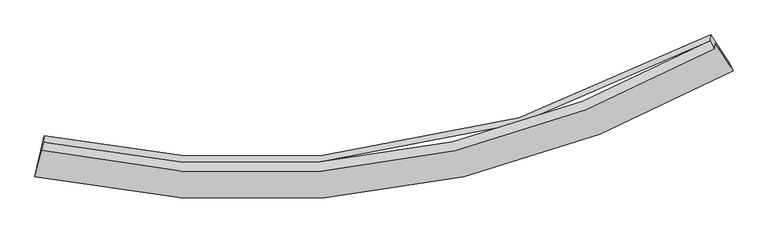
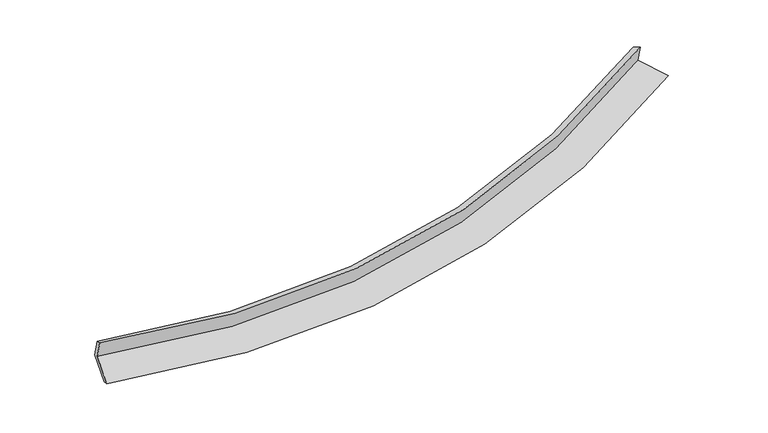
"""IFC4 building model written with IfcOpenShell, lengths in millimetres: proxy geometry."""

import ifcopenshell
import ifcopenshell.guid

model = None  # the IFC model being written
_history = None  # IfcOwnerHistory: only IFC2X3 demands one
_inside = {}  # id of a spatial element -> (the spatial element, [elements in it])
_under = {}  # id of a project, library or spatial element -> (it, [spatial elements below it])
_declared = {}  # id of a project -> (the project, [libraries it declares])
_typed = {}  # id of a type object -> (the type object, [elements of that type])
_made_of = {}  # id of a material, layer set ... -> (it, [elements and type objects made of it])


def new_model(schema):
    """Start an empty IFC model of exactly this schema.

    Asked for "IFC4X3", IfcOpenShell would pick the latest addendum, in which some entities
    have other attributes; the version numbers below select the first issue.
    IFC2X3 requires an IfcOwnerHistory on every rooted entity: one is made here for all.
    """
    global model, _history
    if schema == "IFC4X3":
        model = ifcopenshell.file(schema_version=(4, 3, 0, 0))
    else:
        model = ifcopenshell.file(schema=schema)
    _inside.clear()
    _under.clear()
    _declared.clear()
    _typed.clear()
    _made_of.clear()
    _history = None
    if model.schema == "IFC2X3":
        org = make("IfcOrganization", Name="unknown")
        user = make(
            "IfcPersonAndOrganization",
            ThePerson=make("IfcPerson", FamilyName="unknown"),
            TheOrganization=org,
        )
        app = make(
            "IfcApplication",
            ApplicationDeveloper=org,
            Version="unknown",
            ApplicationFullName="unknown",
            ApplicationIdentifier="unknown",
        )
        _history = make(
            "IfcOwnerHistory",
            OwningUser=user,
            OwningApplication=app,
            ChangeAction="ADDED",
            CreationDate=0,
        )
    return model


def make(cls, **values):
    """One entity of the class cls with the attributes given. An attribute that is None is left unset."""
    return model.create_entity(
        cls, **{name: value for name, value in values.items() if value is not None}
    )


def rooted(cls, **values):
    """An entity with a GlobalId (a new one), such as an element, a storey or a relation."""
    return make(cls, GlobalId=ifcopenshell.guid.new(), OwnerHistory=_history, **values)


def si_unit(unit_type, name, prefix=None):
    """IfcSIUnit, for example si_unit("LENGTHUNIT", "METRE", prefix="MILLI")."""
    return make("IfcSIUnit", UnitType=unit_type, Prefix=prefix, Name=name)


def assignment(units):
    """IfcUnitAssignment: the units of a project."""
    return None if units is None else make("IfcUnitAssignment", Units=units)


def point(xyz):
    """IfcCartesianPoint."""
    return None if xyz is None else make("IfcCartesianPoint", Coordinates=xyz)


def direction(xyz):
    """IfcDirection."""
    return None if xyz is None else make("IfcDirection", DirectionRatios=xyz)


def frame(location, z_axis=None, x_axis=None):
    """IfcAxis2Placement3D, a coordinate frame: its origin and axes. An axis left out is left unset."""
    return make(
        "IfcAxis2Placement3D",
        Location=point(location),
        Axis=direction(z_axis),
        RefDirection=direction(x_axis),
    )


def origin():
    """The frame at (0, 0, 0) with its axes left unset."""
    return frame((0.0, 0.0, 0.0))


def place(relative_to, where):
    """IfcLocalPlacement: puts the frame where relative to a parent placement (None: the world)."""
    return make(
        "IfcLocalPlacement", PlacementRelTo=relative_to, RelativePlacement=where
    )


def context(
    kind, dimensions, precision=None, world=None, true_north=None, identifier=None
):
    """IfcGeometricRepresentationContext, for example the 3D "Model" context."""
    return make(
        "IfcGeometricRepresentationContext",
        ContextIdentifier=identifier,
        ContextType=kind,
        CoordinateSpaceDimension=dimensions,
        Precision=precision,
        WorldCoordinateSystem=world,
        TrueNorth=true_north,
    )


def project(units=None, contexts=None):
    """IfcProject with its units and contexts."""
    return rooted(
        "IfcProject",
        Name="project",
        RepresentationContexts=contexts,
        UnitsInContext=assignment(units),
    )


def spatial(cls, under=None, at=None, **own):
    """A site, building, storey or space (cls), placed at a placement, below another one or the project."""
    s = rooted(cls, ObjectPlacement=at, **own)
    if under is not None:
        _under.setdefault(under.id(), (under, []))[1].append(s)
    return s


def shape(context_of_items, identifier, shape_type, items):
    """IfcShapeRepresentation: the items that make up one representation, for example the "Body"."""
    return make(
        "IfcShapeRepresentation",
        ContextOfItems=context_of_items,
        RepresentationIdentifier=identifier,
        RepresentationType=shape_type,
        Items=items,
    )


def source(mapping_origin, context_of_items, identifier, shape_type, items):
    """IfcRepresentationMap: a shape defined once, which mapped items show again and again."""
    return make(
        "IfcRepresentationMap",
        MappingOrigin=mapping_origin,
        MappedRepresentation=shape(context_of_items, identifier, shape_type, items),
    )


def transform(
    local_origin,
    x_axis=None,
    y_axis=None,
    z_axis=None,
    scale=None,
    scale2=None,
    scale3=None,
    uniform=True,
):
    """IfcCartesianTransformationOperator3D, or its non-uniform kind. x_axis, y_axis, z_axis: its Axis1, 2, 3."""
    if uniform:
        return make(
            "IfcCartesianTransformationOperator3D",
            Axis1=direction(x_axis),
            Axis2=direction(y_axis),
            LocalOrigin=point(local_origin),
            Scale=scale,
            Axis3=direction(z_axis),
        )
    return make(
        "IfcCartesianTransformationOperator3DnonUniform",
        Axis1=direction(x_axis),
        Axis2=direction(y_axis),
        LocalOrigin=point(local_origin),
        Scale=scale,
        Axis3=direction(z_axis),
        Scale2=scale2,
        Scale3=scale3,
    )


def mapped(mapping_source, mapping_target):
    """IfcMappedItem: shows the shape of a source again, moved by a transform."""
    return make(
        "IfcMappedItem", MappingSource=mapping_source, MappingTarget=mapping_target
    )


def made_of(thing, what):
    """Note that an element or type object is made of a material, layer set ...; save() writes the relation."""
    if what is not None:
        _made_of.setdefault(what.id(), (what, []))[1].append(thing)
    return thing


def element(
    cls,
    number,
    at=None,
    inside=None,
    cuts=None,
    type_object=None,
    material=None,
    context=None,
    identifier="Body",
    shape_type=None,
    held_by="IfcProductDefinitionShape",
    body=None,
    shapes=None,
    **own,
):
    """One element of the class cls, such as IfcWall. Its Tag is "e" and its number.

    at: its placement. inside: the storey or other place that contains it. cuts: it is an
    opening in that element (IfcRelVoidsElement). A single representation is given by context,
    identifier, shape_type and body (its items); several are given by shapes. held_by: the class
    of the entity that holds the representations. save() writes the other relations.
    """
    e = rooted(cls, Tag="e%d" % number, ObjectPlacement=at, **own)
    if body is not None:
        shapes = [shape(context, identifier, shape_type, body)]
    if shapes is not None:
        e.Representation = make(held_by, Representations=shapes)
    if inside is not None:
        _inside.setdefault(inside.id(), (inside, []))[1].append(e)
    if cuts is not None:
        rooted(
            "IfcRelVoidsElement", RelatingBuildingElement=cuts, RelatedOpeningElement=e
        )
    if type_object is not None:
        _typed.setdefault(type_object.id(), (type_object, []))[1].append(e)
    return made_of(e, material)


def aggregate(whole, parts):
    """IfcRelAggregates: a whole, such as a stair, and the parts it consists of."""
    return rooted("IfcRelAggregates", RelatingObject=whole, RelatedObjects=parts)


def save(model, path):
    """Write the relations noted so far, then the file.

    IfcRelAggregates (storeys below a building ...), IfcRelContainedInSpatialStructure (elements
    in a storey), IfcRelDefinesByType, IfcRelAssociatesMaterial and IfcRelDeclares: one each for
    every whole, place, type object, material and project.
    """
    for whole, parts in _under.values():
        aggregate(whole, parts)
    for where, things in _inside.values():
        rooted(
            "IfcRelContainedInSpatialStructure",
            RelatedElements=things,
            RelatingStructure=where,
        )
    for kind, things in _typed.values():
        rooted("IfcRelDefinesByType", RelatedObjects=things, RelatingType=kind)
    for what, things in _made_of.values():
        rooted("IfcRelAssociatesMaterial", RelatedObjects=things, RelatingMaterial=what)
    for by, libraries in _declared.values():
        rooted("IfcRelDeclares", RelatingContext=by, RelatedDefinitions=libraries)
    model.write(path)


def plane_surface(at):
    """IfcPlane: the flat surface through the origin of the frame at, square to its z axis."""
    return make("IfcPlane", Position=at)


def spline_curve(degree, points, multiplicities, knots, weights=None):
    """IfcBSplineCurveWithKnots; with weights, IfcRationalBSplineCurveWithKnots."""
    own = dict(
        Degree=degree,
        ControlPointsList=[point(p) for p in points],
        CurveForm="UNSPECIFIED",
        ClosedCurve=False,
        SelfIntersect=False,
        KnotMultiplicities=multiplicities,
        Knots=knots,
        KnotSpec="UNSPECIFIED",
    )
    if weights is None:
        return make("IfcBSplineCurveWithKnots", **own)
    return make("IfcRationalBSplineCurveWithKnots", WeightsData=weights, **own)


def spline_surface(u_degree, v_degree, points, u_multiplicities, v_multiplicities, u_knots, v_knots, weights=None):
    """IfcBSplineSurfaceWithKnots; with weights, IfcRationalBSplineSurfaceWithKnots. points: one row for each step in u."""
    own = dict(
        UDegree=u_degree,
        VDegree=v_degree,
        ControlPointsList=[[point(p) for p in row] for row in points],
        SurfaceForm="UNSPECIFIED",
        UClosed=False,
        VClosed=False,
        SelfIntersect=False,
        UMultiplicities=u_multiplicities,
        VMultiplicities=v_multiplicities,
        UKnots=u_knots,
        VKnots=v_knots,
        KnotSpec="UNSPECIFIED",
    )
    if weights is None:
        return make("IfcBSplineSurfaceWithKnots", **own)
    return make("IfcRationalBSplineSurfaceWithKnots", WeightsData=weights, **own)


def advanced_brep(points, edges, surfaces, faces):
    """IfcAdvancedBrep: a solid bounded by faces that lie on surfaces and meet in shared edges.

    An edge is (start, end): straight between two places in points (the first is 0);
    or (start, end, curve); or (start, end, curve, False) where it runs against its curve.
    A face is (place in surfaces, loops), or (place, loops, False) where it looks against
    its surface's normal. A loop lists edges by number (the first is 1), with a minus sign
    where the edge is run from its end to its start. The first loop is the outer one.
    """
    corners = [point(p) for p in points]
    vertices = [make("IfcVertexPoint", VertexGeometry=c) for c in corners]
    made = []
    for start, end, *more in edges:
        made.append(
            make(
                "IfcEdgeCurve",
                EdgeStart=vertices[start],
                EdgeEnd=vertices[end],
                EdgeGeometry=more[0] if more else make("IfcPolyline", Points=[corners[start], corners[end]]),
                SameSense=more[1] if len(more) > 1 else True,
            )
        )
    hull = []
    for where, loops, *sense in faces:
        bounds = []
        for j, loop in enumerate(loops):
            ring = [make("IfcOrientedEdge", EdgeElement=made[abs(k) - 1], Orientation=k > 0) for k in loop]
            bounds.append(
                make(
                    "IfcFaceOuterBound" if j == 0 else "IfcFaceBound",
                    Bound=make("IfcEdgeLoop", EdgeList=ring),
                    Orientation=True,
                )
            )
        hull.append(make("IfcAdvancedFace", Bounds=bounds, FaceSurface=surfaces[where], SameSense=sense[0] if sense else True))
    return make("IfcAdvancedBrep", Outer=make("IfcClosedShell", CfsFaces=hull))


def generic_models_68273209(model_context):
    return source(origin(), model_context, "Body", "AdvancedBrep", [
        advanced_brep(
        [(-6113.233648, -2007.7781514, 1521.8473004), (-6262.3480607, -2632.0708559, 1320.8428324), (7150.9510578, -602.5619684, 2499.9907401), (6798.4895957, -57.6810736, 2656.9201873), (-6128.2754274, -2130.4793819, 1914.0994226), (6784.2590365, -173.764887, 3028.0177055), (-6094.390649, -1971.1609194, 1839.2205144), (6711.8109975, -27.0536005, 2968.5798574), (-6079.5223351, -1849.8747101, 1451.4919414), (6725.9729877, 88.4708714, 2599.2704458), (-6225.8547625, -2462.5201626, 1254.2375568), (7078.4002727, -448.1038609, 2420.5541814)],
        [
            (0, 1),
            (1, 2, spline_curve(3, [(-6262.3480607, -2632.0708559, 1320.8428324), (-4369.866557157, -3043.874355236, 1272.121475162), (-2514.994861719, -3180.459329897, 1306.637244639), (2001.467985006, -2835.911701305, 1599.289932619), (4617.695995685, -2022.823763801, 1957.82346616), (7150.9510578, -602.5619684, 2499.9907401)], [4, 2, 4], [0.0, 17.980120134978364, 44.68620903565571])),
            (2, 3),
            (3, 0, spline_curve(3, [(6798.4895957, -57.6810736, 2656.9201873), (4359.929758975, -1430.866127708, 2133.110388664), (1841.519450426, -2215.557607041, 1787.210649956), (-2506.044309832, -2543.847555664, 1506.120372589), (-4291.541749758, -2409.188435278, 1473.662482533), (-6113.233648, -2007.7781514, 1521.8473004)], [4, 2, 4], [0.0, 26.706088900677344, 44.68620903565571])),
            (4, 0),
            (3, 5),
            (5, 4, spline_curve(3, [(6784.2590365, -173.764887, 3028.0177055), (4345.688879106, -1547.03412766, 2504.477033342), (1827.17783835, -2332.547325386, 2161.204169582), (-2520.705760593, -2663.446303849, 1888.45445982), (-4306.372873442, -2530.17127136, 1860.421229521), (-6128.2754274, -2130.4793819, 1914.0994226)], [4, 2, 4], [0.0, 26.200046243841413, 43.83946850287199])),
            (6, 4),
            (5, 7),
            (7, 6, spline_curve(3, [(6711.8109975, -27.0536005, 2968.5798574), (4293.742095377, -1378.006481557, 2450.970750104), (1796.139609103, -2153.039417488, 2108.24617915), (-2516.077035861, -2486.207059507, 1827.40629583), (-4287.208432302, -2359.20989682, 1793.677752444), (-6094.390649, -1971.1609194, 1839.2205144)], [4, 2, 4], [0.0, 26.088551346848128, 43.652908640363464])),
            (8, 6),
            (7, 9),
            (9, 8, spline_curve(3, [(6725.9729877, 88.4708714, 2599.2704458), (4308.185985632, -1260.182444028, 2074.31007126), (1810.781018895, -2033.604146266, 1726.434698973), (-2501.246318195, -2365.227536231, 1440.658137914), (-4272.339792694, -2237.92102781, 1405.940675991), (-6079.5223351, -1849.8747101, 1451.4919414)], [4, 2, 4], [0.0, 25.97718651190083, 43.46656640537037])),
            (10, 8),
            (9, 11),
            (11, 10, spline_curve(3, [(7078.4002727, -448.1038609, 2420.5541814), (4566.546353631, -1867.007646579, 1882.996867161), (1971.911773886, -2677.752302352, 1527.845860222), (-2508.097915982, -3016.730400264, 1238.799201769), (-4348.215014972, -2877.457844576, 1205.177999992), (-6225.8547625, -2462.5201626, 1254.2375568)], [4, 2, 4], [0.0, 26.488527054932682, 44.32217167498915])),
            (1, 10),
            (11, 2),
        ],
        [
            spline_surface(3, 3, [[(-6113.233648, -2007.7781514, 1521.8473004), (-4291.541749932, -2409.188435519, 1473.662482529), (-2506.04430999, -2543.847555457, 1506.120372565), (1841.51945066, -2215.557607349, 1787.210649992), (4359.929758656, -1430.866128138, 2133.110388914), (6798.4895957, -57.6810736, 2656.9201873)], [(-6162.938452246, -2215.875719548, 1454.845811055), (-4317.650018945, -2620.750408726, 1406.482146771), (-2509.027827167, -2756.051480357, 1439.625996523), (1894.835628665, -2422.342305193, 1724.570410972), (4445.851837588, -1628.185339874, 2074.681414716), (6915.976749743, -239.308038504, 2604.610371567)], [(-6212.643256454, -2423.973287752, 1387.844321745), (-4343.758287919, -2832.312381989, 1339.301811047), (-2512.01134433, -2968.255405272, 1373.131620475), (1948.151806685, -2629.127003052, 1661.930171946), (4531.77391649, -1825.504551697, 2016.252440516), (7033.463903757, -420.935003496, 2552.300555833)], [(-6262.3480607, -2632.0708559, 1320.8428324), (-4369.866556932, -3043.874355196, 1272.121475289), (-2514.994861507, -3180.459330173, 1306.637244433), (2001.46798469, -2835.911700896, 1599.289932926), (4617.695995422, -2022.823763433, 1957.823466318), (7150.9510578, -602.5619684, 2499.9907401)]], [4, 4], [4, 2, 4], [0.0, 2.1696535602692464], [0.0, 17.980120134978364, 44.68620903565571]),
            spline_surface(3, 3, [[(-6128.2754274, -2130.4793819, 1914.0994226), (-4306.37287365, -2530.171271502, 1860.421229533), (-2520.705760321, -2663.446304115, 1888.454459944), (1827.177837946, -2332.54732499, 2161.204169398), (4345.688879216, -1547.03412747, 2504.477033267), (6784.2590365, -173.764887, 3028.0177055)], [(-6123.261500918, -2089.578971727, 1783.348715217), (-4301.429165728, -2489.843659501, 1731.501647215), (-2515.818610201, -2623.580054544, 1761.009764155), (1831.958375527, -2293.550752425, 2036.539662933), (4350.435839009, -1508.311461053, 2380.688151826), (6789.002556213, -135.07028256, 2904.318532777)], [(-6118.247574482, -2048.678561573, 1652.598007783), (-4296.485457853, -2449.51604752, 1602.582064847), (-2510.93146011, -2583.713805028, 1633.565068355), (1836.73891308, -2254.554179915, 1911.875156457), (4355.182798863, -1469.588794556, 2256.899270355), (6793.746075987, -96.37567804, 2780.619360023)], [(-6113.233648, -2007.7781514, 1521.8473004), (-4291.541749932, -2409.188435519, 1473.662482529), (-2506.04430999, -2543.847555457, 1506.120372565), (1841.51945066, -2215.557607349, 1787.210649992), (4359.929758656, -1430.866128138, 2133.110388914), (6798.4895957, -57.6810736, 2656.9201873)]], [4, 4], [4, 2, 4], [0.0, 1.2958975524933765], [0.0, 17.639422259030574, 43.83946850287199]),
            spline_surface(3, 3, [[(-6094.390649, -1971.1609194, 1839.2205144), (-4287.208432588, -2359.209897099, 1793.677752689), (-2516.077036065, -2486.207059598, 1827.406295976), (1796.139609406, -2153.039417352, 2108.246178934), (4293.742095098, -1378.006481942, 2450.970750028), (6711.8109975, -27.0536005, 2968.5798574)], [(-6105.685575151, -2024.26707357, 1864.180150445), (-4293.596579626, -2416.197021903, 1815.925578282), (-2517.619944137, -2545.286807767, 1847.755683965), (1806.485685599, -2212.875386561, 2125.898842422), (4311.057689829, -1434.349030453, 2468.806177787), (6735.960343858, -75.957362669, 2988.392473446)], [(-6116.980501249, -2077.37322773, 1889.139786555), (-4299.984726612, -2473.184146697, 1838.17340394), (-2519.162852249, -2604.366555946, 1868.105071955), (1816.831761753, -2272.711355781, 2143.55150591), (4328.373284485, -1490.691578958, 2486.641605508), (6760.109690142, -124.861124831, 3008.205089454)], [(-6128.2754274, -2130.4793819, 1914.0994226), (-4306.37287365, -2530.171271502, 1860.421229533), (-2520.705760321, -2663.446304115, 1888.454459944), (1827.177837946, -2332.54732499, 2161.204169398), (4345.688879216, -1547.03412747, 2504.477033267), (6784.2590365, -173.764887, 3028.0177055)]], [4, 4], [4, 2, 4], [0.0, 0.6152124720560284], [0.0, 17.564357293515336, 43.652908640363464]),
            spline_surface(3, 3, [[(-6079.5223351, -1849.8747101, 1451.4919414), (-4272.339792599, -2237.921027769, 1405.940676087), (-2501.246318398, -2365.227536044, 1440.658138113), (1810.781019198, -2033.604146544, 1726.434698677), (4308.185985967, -1260.182444416, 2074.310071509), (6725.9729877, 88.4708714, 2599.2704458)], [(-6084.478439733, -1890.303446558, 1580.734799065), (-4277.296005929, -2278.350650903, 1535.186368286), (-2506.189890965, -2405.554043908, 1569.574190718), (1805.900549256, -2073.415903492, 1853.70519208), (4303.371355672, -1299.457123577, 2199.863631018), (6721.252324294, 49.962714114, 2722.373583003)], [(-6089.434544367, -1930.732182942, 1709.977656735), (-4282.252219259, -2318.780273964, 1664.43206049), (-2511.133463498, -2445.880551735, 1698.49024337), (1801.020079348, -2113.227660404, 1980.97568553), (4298.556725394, -1338.73180278, 2325.417190519), (6716.531660906, 11.454556786, 2845.476720197)], [(-6094.390649, -1971.1609194, 1839.2205144), (-4287.208432588, -2359.209897099, 1793.677752689), (-2516.077036065, -2486.207059598, 1827.406295976), (1796.139609406, -2153.039417352, 2108.246178934), (4293.742095098, -1378.006481942, 2450.970750028), (6711.8109975, -27.0536005, 2968.5798574)]], [4, 4], [4, 2, 4], [0.0, 1.3179670922006634], [0.0, 17.489379893469543, 43.46656640537037]),
            spline_surface(3, 3, [[(-6225.8547625, -2462.5201626, 1254.2375568), (-4348.21501517, -2877.457844514, 1205.178000289), (-2508.097916092, -3016.730400148, 1238.799201557), (1971.911774049, -2677.752302524, 1527.845860536), (4566.5463534, -1867.007646308, 1882.996867436), (7078.4002727, -448.1038609, 2420.5541814)], [(-6177.077286691, -2258.305011768, 1319.989018359), (-4322.923274304, -2664.278905601, 1272.098892247), (-2505.814050197, -2799.562778777, 1306.085513756), (1918.20152243, -2463.036250528, 1594.042139929), (4480.426230927, -1664.732579014, 1946.767935442), (6960.924511038, -269.245616803, 2480.126269515)], [(-6128.299810909, -2054.089860932, 1385.740479841), (-4297.631533465, -2451.099966682, 1339.019784129), (-2503.530184294, -2582.395157415, 1373.371825914), (1864.491270818, -2248.32019854, 1660.238419283), (4394.306108441, -1462.45751171, 2010.539003503), (6843.448749362, -90.387372697, 2539.698357685)], [(-6079.5223351, -1849.8747101, 1451.4919414), (-4272.339792599, -2237.921027769, 1405.940676087), (-2501.246318398, -2365.227536044, 1440.658138113), (1810.781019198, -2033.604146544, 1726.434698677), (4308.185985967, -1260.182444416, 2074.310071509), (6725.9729877, 88.4708714, 2599.2704458)]], [4, 4], [4, 2, 4], [0.0, 2.239912136524724], [0.0, 17.833644620056468, 44.32217167498915]),
            spline_surface(3, 3, [[(-6262.3480607, -2632.0708559, 1320.8428324), (-4369.866556932, -3043.874355196, 1272.121475289), (-2514.994861507, -3180.459330173, 1306.637244433), (2001.46798469, -2835.911700896, 1599.289932926), (4617.695995422, -2022.823763433, 1957.823466318), (7150.9510578, -602.5619684, 2499.9907401)], [(-6250.183627961, -2575.553958129, 1298.641073859), (-4362.649376339, -2988.402184965, 1249.806983615), (-2512.695879706, -3125.883020182, 1284.024563471), (1991.615914473, -2783.191901456, 1575.475242126), (4600.646114735, -1970.885057735, 1932.881266683), (7126.767462754, -551.075932577, 2473.511887192)], [(-6238.019195239, -2519.037060371, 1276.439315341), (-4355.432195763, -2932.930014746, 1227.492491963), (-2510.396897893, -3071.306710139, 1261.411882519), (1981.763844267, -2730.472101964, 1551.660551335), (4583.596234087, -1918.946352005, 1907.939067071), (7102.583867746, -499.589896723, 2447.033034308)], [(-6225.8547625, -2462.5201626, 1254.2375568), (-4348.21501517, -2877.457844514, 1205.178000289), (-2508.097916092, -3016.730400148, 1238.799201557), (1971.911774049, -2677.752302524, 1527.845860536), (4566.5463534, -1867.007646308, 1882.996867436), (7078.4002727, -448.1038609, 2420.5541814)]], [4, 4], [4, 2, 4], [0.0, 0.5765454369395677], [0.0, 18.249355436593632, 45.3553427721068]),
            plane_surface(frame((6874.980658, -203.4490865, 2695.5555196), z_axis=(0.8485082718851328, 0.49490738787238203, 0.18735098070691125), x_axis=(-0.03657391610874331, -0.2983466502408626, 0.9537565857966733))),
            plane_surface(frame((-6150.6041471, -2175.6473636, 1550.289928), z_axis=(-0.9744284868308519, 0.22237923090337505, 0.032196299715333776), x_axis=(0.2217013141887154, 0.928190041938025, 0.29885075428060054))),
        ],
        [
            (0, [[1, 2, 3, 4]]),
            (1, [[5, -4, 6, 7]]),
            (2, [[8, -7, 9, 10]]),
            (3, [[11, -10, 12, 13]]),
            (4, [[14, -13, 15, 16]]),
            (5, [[17, -16, 18, -2]]),
            (6, [[-12, -9, -6, -3, -18, -15]]),
            (7, [[-1, -5, -8, -11, -14, -17]]),
        ],
    ),
    ])


if __name__ == "__main__":
    model = new_model("IFC4")
    model_context = context("Model", 3, world=origin())
    ifc_project = project(units=[si_unit("LENGTHUNIT", "METRE", prefix="MILLI")], contexts=[model_context])
    site = spatial("IfcSite", under=ifc_project)
    building = spatial("IfcBuilding", under=site)
    placement = place(None, origin())
    generic_models_shape = generic_models_68273209(model_context)
    element("IfcBuildingElementProxy", 1, Name="Generic Models", at=placement, inside=building, context=model_context, shape_type="MappedRepresentation", body=[
        mapped(generic_models_shape, transform((0.0, 0.0, 0.0), x_axis=(1.0, 0.0, 0.0), y_axis=(0.0, 1.0, 0.0), z_axis=(0.0, 0.0, 1.0))),
    ])
    save(model, "model.ifc")
